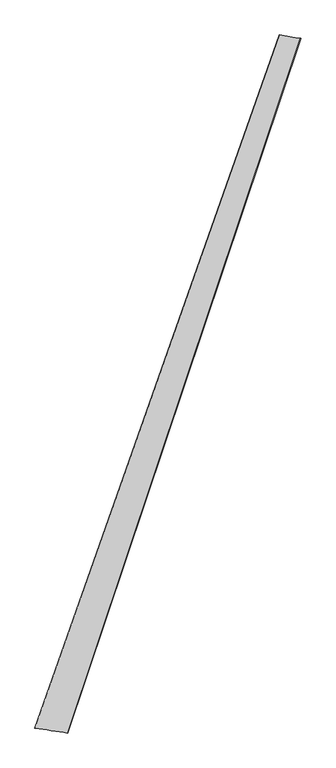
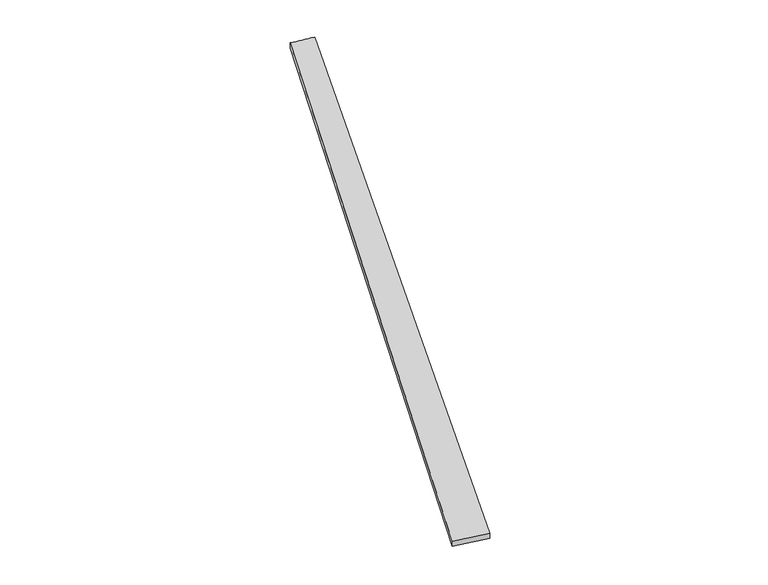
"""IFC4 building model written with IfcOpenShell, lengths in millimetres: proxy geometry."""

from ifc_helpers import new_model, si_unit, frame, origin, place, context, project, spatial, source, transform, mapped, element, save
from ifc_brep_helpers import plane_surface, spline_surface, advanced_brep


def generic_models_386c28bc(model_context):
    return source(origin(), model_context, "Body", "AdvancedBrep", [
        advanced_brep(
        [(-725.4886535, -1837.9045889, 1.2642112), (-725.2946753, -1837.9495935, 31.2635503), (714.8286791, 2243.201072, 28.0604139), (715.4886442, 2242.9445491, -1.9312289), (-531.1305221, -1867.2293949, 28.7286787), (840.6572696, 2222.3014986, 31.9121683), (-531.7014738, -1867.0141719, -1.2651155), (841.7014831, 2221.9742117, 1.9321333)],
        [
            (0, 1),
            (1, 2),
            (2, 3),
            (3, 0),
            (1, 4),
            (4, 5),
            (5, 2),
            (4, 6),
            (6, 7),
            (7, 5),
            (6, 0),
            (3, 7),
        ],
        [
            spline_surface(1, 1, [[(-725.4886535, -1837.9045889, 1.2642112), (715.4886442, 2242.9445491, -1.9312289)], [(-725.2946753, -1837.9495935, 31.2635503), (714.8286791, 2243.201072, 28.0604139)]], [2, 2], [2, 2], [0.0, 1.0], [0.0, 1.0]),
            spline_surface(1, 1, [[(-725.2946753, -1837.9495935, 31.2635503), (714.8286791, 2243.201072, 28.0604139)], [(-531.1305221, -1867.2293949, 28.7286787), (840.6572696, 2222.3014986, 31.9121683)]], [2, 2], [2, 2], [0.0, 1.0], [0.0, 1.0]),
            spline_surface(1, 1, [[(-531.1305221, -1867.2293949, 28.7286787), (840.6572696, 2222.3014986, 31.9121683)], [(-531.7014738, -1867.0141719, -1.2651155), (841.7014831, 2221.9742117, 1.9321333)]], [2, 2], [2, 2], [0.0, 1.0], [0.0, 1.0]),
            spline_surface(1, 1, [[(-531.7014738, -1867.0141719, -1.2651155), (841.7014831, 2221.9742117, 1.9321333)], [(-725.4886535, -1837.9045889, 1.2642112), (715.4886442, 2242.9445491, -1.9312289)]], [2, 2], [2, 2], [0.0, 1.0], [0.0, 1.0]),
            plane_surface(frame((778.169019, 2232.6053328, 14.9933717), z_axis=(0.1639927537758146, 0.9864497257341835, -0.004828592753507792), x_axis=(-0.021998834272589463, 0.008550762233635184, 0.999721429077056))),
            spline_surface(1, 1, [[(-531.7014738, -1867.0141719, -1.2651155), (-725.4886535, -1837.9045889, 1.2642112)], [(-531.1305221, -1867.2293949, 28.7286787), (-725.2946753, -1837.9495935, 31.2635503)]], [2, 2], [2, 2], [0.0, 1.0], [0.0, 1.0]),
        ],
        [
            (0, [[1, 2, 3, 4]]),
            (1, [[5, 6, 7, -2]]),
            (2, [[8, 9, 10, -6]]),
            (3, [[11, -4, 12, -9]]),
            (4, [[-3, -7, -10, -12]]),
            (5, [[-11, -8, -5, -1]]),
        ],
    ),
    ])


if __name__ == "__main__":
    model = new_model("IFC4")
    model_context = context("Model", 3, world=origin())
    ifc_project = project(units=[si_unit("LENGTHUNIT", "METRE", prefix="MILLI")], contexts=[model_context])
    site = spatial("IfcSite", under=ifc_project)
    building = spatial("IfcBuilding", under=site)
    placement = place(None, origin())
    generic_models_shape = generic_models_386c28bc(model_context)
    element("IfcBuildingElementProxy", 1, Name="Generic Models", at=placement, inside=building, context=model_context, shape_type="MappedRepresentation", body=[
        mapped(generic_models_shape, transform((0.0, 0.0, 0.0), x_axis=(1.0, 0.0, 0.0), y_axis=(0.0, 1.0, 0.0), z_axis=(0.0, 0.0, 1.0))),
    ])
    save(model, "model.ifc")
